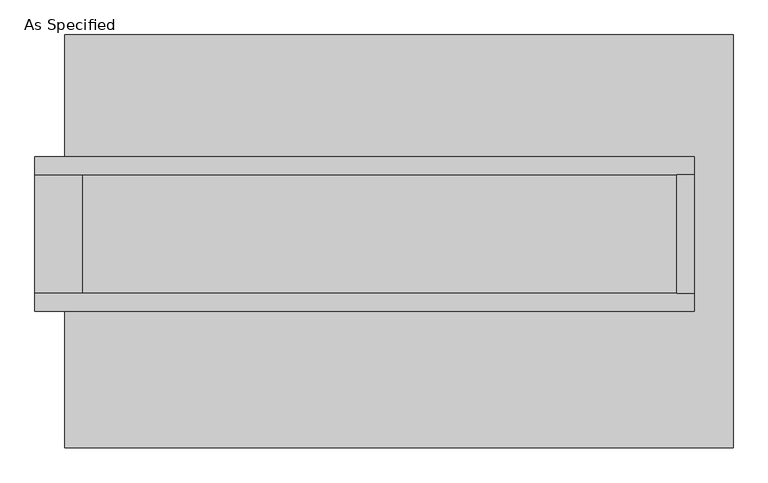
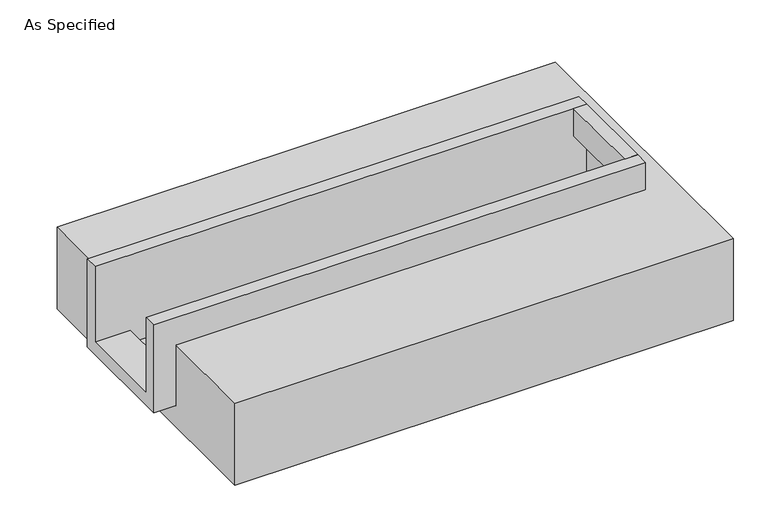
"""IFC4 building model written with IfcOpenShell, lengths in millimetres: proxy geometry, As Specified."""

from ifc_helpers import new_model, si_unit, frame, origin, place, context, project, spatial, polyline, outline, extrude, faceted_brep, source, transform, mapped, element, save


def as_specified_59c40a05(model_context):
    return source(origin(), model_context, "Body", "SolidModel", [
        extrude(outline(polyline([(1187.45, 285.75), (1263.65, 285.75), (1263.65, -222.25), (1187.45, -222.25), (1187.45, 285.75)])), frame((0.0, 0.0, -25.4), z_axis=(0.0, 0.0, 1.0), x_axis=(1.0, 0.0, 0.0)), (0.0, 0.0, 1.0), 165.1),
        faceted_brep([(1263.65, 285.75, 139.7), (1263.65, 285.75, -317.5), (1263.65, -222.25, -317.5), (1263.65, -222.25, 139.7), (1263.65, -298.45, 139.7), (1263.65, -298.45, -393.7), (1263.65, 361.95, -393.7), (1263.65, 361.95, 139.7), (-1555.75, 285.75, 139.7), (-1555.75, 361.95, 139.7), (-1555.75, 361.95, -393.7), (-1555.75, -298.45, -393.7), (-1555.75, -298.45, 139.7), (-1555.75, -222.25, 139.7), (-1555.75, -222.25, -317.5), (-1555.75, 285.75, -317.5), (-1352.55, 285.75, -393.7), (-1352.55, -222.25, -393.7), (1187.45, -222.25, -393.7), (1187.45, 285.75, -393.7), (1187.45, -222.25, -317.5), (-1352.55, -222.25, -317.5), (1187.45, 285.75, -317.5), (-1352.55, 285.75, -317.5)], [[[0, 1, 2, 3, 4, 5, 6, 7]], [[8, 9, 10, 11, 12, 13, 14, 15]], [[0, 7, 9, 8]], [[7, 6, 10, 9]], [[6, 5, 11, 10], [16, 17, 18, 19]], [[4, 3, 13, 12]], [[3, 2, 20, 18, 17, 21, 14, 13]], [[2, 1, 22, 20]], [[15, 14, 21, 23]], [[1, 0, 8, 15, 23, 16, 19, 22]], [[21, 17, 16, 23]], [[18, 20, 22, 19]], [[5, 4, 12, 11]]]),
        faceted_brep([(-1428.75, 882.65, -523.9742188), (1428.75, 882.65, -523.9742188), (1428.75, -882.65, -523.9742188), (-1428.75, -882.65, -523.9742188), (1428.75, 882.65, -25.4), (-1428.75, 882.65, -25.4), (-1428.75, 361.95, -25.4), (1263.65, 361.95, -25.4), (1263.65, -298.45, -25.4), (-1428.75, -298.45, -25.4), (-1428.75, -882.65, -25.4), (1428.75, -882.65, -25.4), (-1428.75, -298.45, -393.7), (-1428.75, 361.95, -393.7), (1263.65, 361.95, -393.7), (1263.65, -298.45, -393.7)], [[[0, 1, 2, 3]], [[4, 5, 6, 7, 8, 9, 10, 11]], [[1, 0, 5, 4]], [[5, 0, 3, 10, 9, 12, 13, 6]], [[1, 4, 11, 2]], [[3, 2, 11, 10]], [[14, 15, 8, 7]], [[13, 14, 7, 6]], [[15, 14, 13, 12]], [[15, 12, 9, 8]]]),
    ])


if __name__ == "__main__":
    model = new_model("IFC4")
    model_context = context("Model", 3, world=origin())
    ifc_project = project(units=[si_unit("LENGTHUNIT", "METRE", prefix="MILLI")], contexts=[model_context])
    site = spatial("IfcSite", under=ifc_project)
    building = spatial("IfcBuilding", under=site)
    placement = place(None, origin())
    as_specified_shape = as_specified_59c40a05(model_context)
    element("IfcBuildingElementProxy", 1, Name="As Specified", ObjectType="As Specified", at=placement, inside=building, context=model_context, shape_type="MappedRepresentation", body=[
        mapped(as_specified_shape, transform((0.0, 0.0, 0.0), x_axis=(1.0, 0.0, 0.0), y_axis=(0.0, 1.0, 0.0), z_axis=(0.0, 0.0, 1.0))),
    ])
    save(model, "model.ifc")
